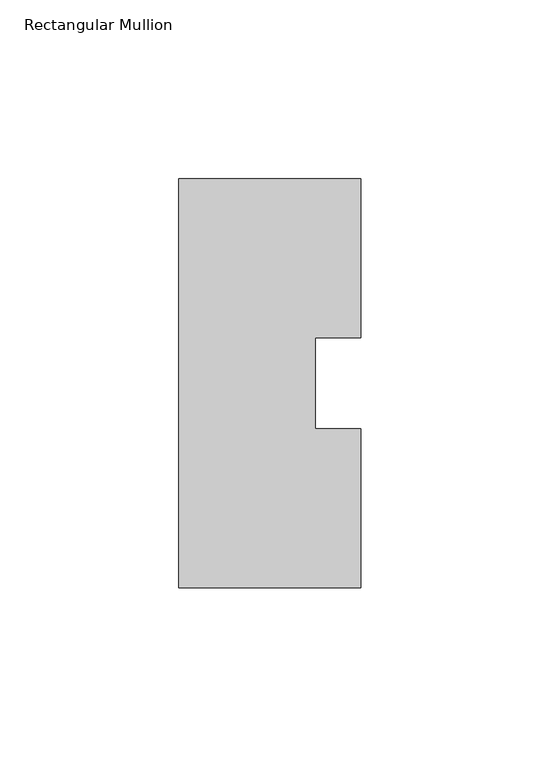
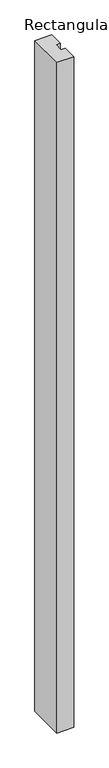
"""IFC4 building model written with IfcOpenShell, lengths in millimetres: member geometry, Rectangular Mullion."""

from ifc_helpers import new_model, si_unit, frame, origin, place, context, project, spatial, polyline, outline, extrude, source, transform, mapped, element, save


def rectangular_mullion_fc3712c3(model_context):
    return source(origin(), model_context, "Body", "SweptSolid", [
        extrude(outline(polyline([(25.4, 57.148246), (25.4, 12.7), (12.7000532, 12.7), (12.7000532, -12.7), (25.4, -12.7), (25.4, -57.148246), (-25.4, -57.148246), (-25.4, 57.148246), (25.4, 57.148246)])), frame((0.0, 0.0, -2133.6), z_axis=(0.0, 0.0, 1.0), x_axis=(1.0, 0.0, 0.0)), (0.0, 0.0, 1.0), 2133.6),
    ])


if __name__ == "__main__":
    model = new_model("IFC4")
    model_context = context("Model", 3, world=origin())
    ifc_project = project(units=[si_unit("LENGTHUNIT", "METRE", prefix="MILLI")], contexts=[model_context])
    site = spatial("IfcSite", under=ifc_project)
    building = spatial("IfcBuilding", under=site)
    placement = place(None, origin())
    rectangular_mullion_shape = rectangular_mullion_fc3712c3(model_context)
    element("IfcMember", 1, ObjectType="Rectangular Mullion", at=placement, inside=building, context=model_context, shape_type="MappedRepresentation", body=[
        mapped(rectangular_mullion_shape, transform((0.0, 0.0, 0.0), x_axis=(1.0, 0.0, 0.0), y_axis=(0.0, 1.0, 0.0), z_axis=(0.0, 0.0, 1.0))),
    ])
    save(model, "model.ifc")
